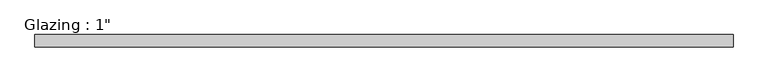
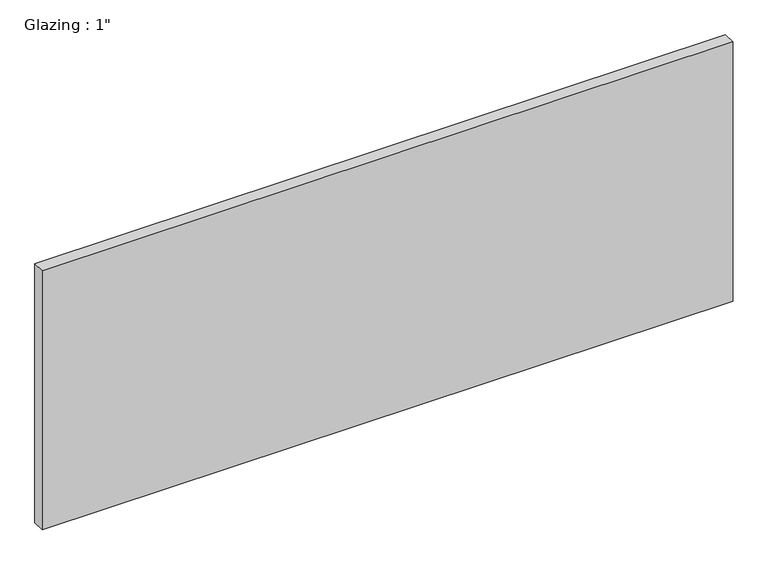
"""IFC4 building model written with IfcOpenShell, lengths in millimetres: plate geometry."""

from ifc_helpers import new_model, si_unit, origin, origin_with_axes, place, context, project, spatial, polyline, outline, extrude, source, transform, mapped, element, save


def plate_265b8082(model_context):
    return source(origin(), model_context, "Body", "SweptSolid", [
        extrude(outline(polyline([(710.632433, -12.7), (-710.632433, -12.7), (-710.632433, 12.7), (710.632433, 12.7), (710.632433, -12.7)])), origin_with_axes(), (0.0, 0.0, 1.0), 563.17901),
    ])


if __name__ == "__main__":
    model = new_model("IFC4")
    model_context = context("Model", 3, world=origin())
    ifc_project = project(units=[si_unit("LENGTHUNIT", "METRE", prefix="MILLI")], contexts=[model_context])
    site = spatial("IfcSite", under=ifc_project)
    building = spatial("IfcBuilding", under=site)
    placement = place(None, origin())
    plate_shape = plate_265b8082(model_context)
    element("IfcPlate", 1, ObjectType="Glazing : 1\"", at=placement, inside=building, context=model_context, shape_type="MappedRepresentation", body=[
        mapped(plate_shape, transform((0.0, 0.0, 0.0), x_axis=(1.0, 0.0, 0.0), y_axis=(0.0, 1.0, 0.0), z_axis=(0.0, 0.0, 1.0))),
    ])
    save(model, "model.ifc")
